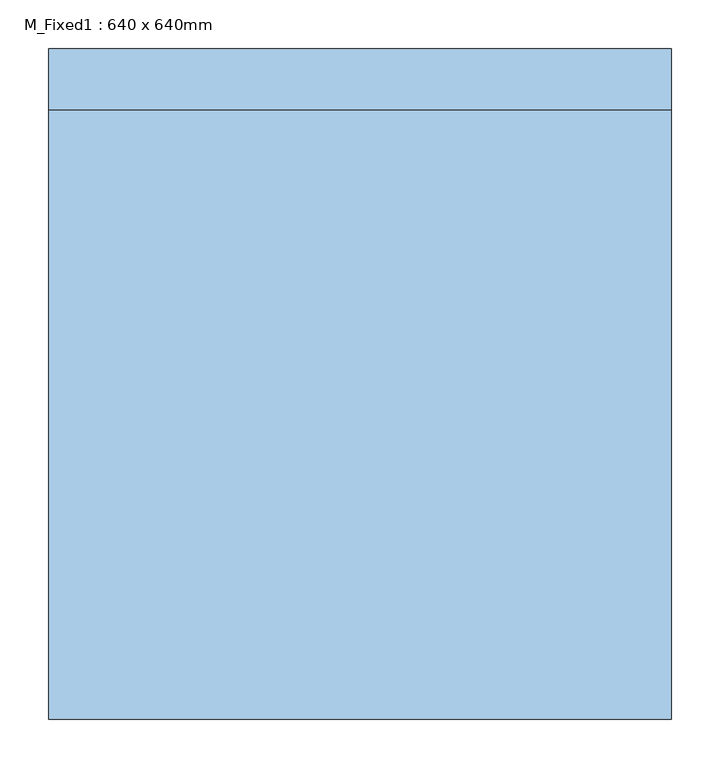
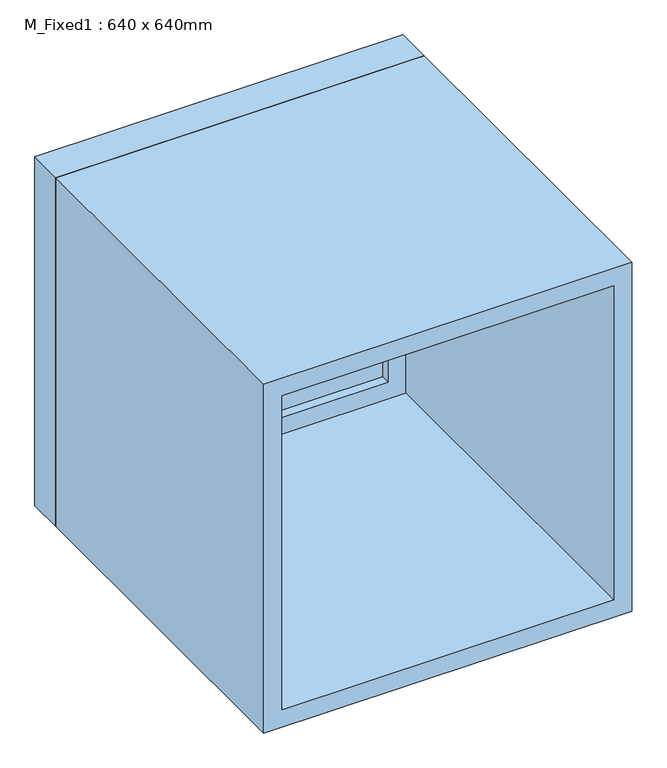
"""IFC4 building model written with IfcOpenShell, lengths in millimetres: window geometry, M_Fixed1 : 640 x 640mm."""

from ifc_helpers import new_model, si_unit, frame, origin, place, context, project, spatial, polyline, outline, extrude, source, transform, mapped, element, save


def m_fixed1_640_x_640mm_1b50b86f(model_context):
    return source(origin(), model_context, "Body", "SweptSolid", [
        extrude(outline(polyline([(-257.0, 322.43666), (257.0, 322.43666), (257.0, 310.43666), (-257.0, 310.43666), (-257.0, 322.43666)])), frame((0.0, 0.0, 978.0), z_axis=(0.0, 0.0, 1.0), x_axis=(1.0, 0.0, 0.0)), (0.0, 0.0, 1.0), 514.0),
        extrude(outline(polyline([(1536.0, -301.0), (934.0, -301.0), (934.0, 301.0), (1536.0, 301.0), (1536.0, -301.0)]), holes=[polyline([(1492.0, -257.0), (1492.0, 257.0), (978.0, 257.0), (978.0, -257.0), (1492.0, -257.0)])]), frame((0.0, 294.43666, 0.0), z_axis=(0.0, 1.0, 0.0), x_axis=(0.0, 0.0, 1.0)), (0.0, 0.0, 1.0), 44.0),
        extrude(outline(polyline([(1555.0, -320.0), (915.0, -320.0), (915.0, 320.0), (1555.0, 320.0), (1555.0, -320.0)]), holes=[polyline([(1536.0, -301.0), (1536.0, 301.0), (934.0, 301.0), (934.0, -301.0), (1536.0, -301.0)])]), frame((0.0, 294.43666, 0.0), z_axis=(0.0, 1.0, 0.0), x_axis=(0.0, 0.0, 1.0)), (0.0, 0.0, 1.0), 63.0),
        extrude(outline(polyline([(1555.0, -320.0), (915.0, -320.0), (915.0, 320.0), (1555.0, 320.0), (1555.0, -320.0)]), holes=[polyline([(1523.0, -288.0), (1523.0, 288.0), (947.0, 288.0), (947.0, -288.0), (1523.0, -288.0)])]), frame((0.0, -331.43666, 0.0), z_axis=(0.0, 1.0, 0.0), x_axis=(0.0, 0.0, 1.0)), (0.0, 0.0, 1.0), 625.8733201),
    ])


if __name__ == "__main__":
    model = new_model("IFC4")
    model_context = context("Model", 3, world=origin())
    ifc_project = project(units=[si_unit("LENGTHUNIT", "METRE", prefix="MILLI")], contexts=[model_context])
    site = spatial("IfcSite", under=ifc_project)
    building = spatial("IfcBuilding", under=site)
    placement = place(None, origin())
    m_fixed1_640_x_640mm_shape = m_fixed1_640_x_640mm_1b50b86f(model_context)
    element("IfcWindow", 1, ObjectType="M_Fixed1 : 640 x 640mm", at=placement, inside=building, context=model_context, shape_type="MappedRepresentation", body=[
        mapped(m_fixed1_640_x_640mm_shape, transform((0.0, 0.0, 0.0), x_axis=(1.0, 0.0, 0.0), y_axis=(0.0, 1.0, 0.0), z_axis=(0.0, 0.0, 1.0))),
    ])
    save(model, "model.ifc")
